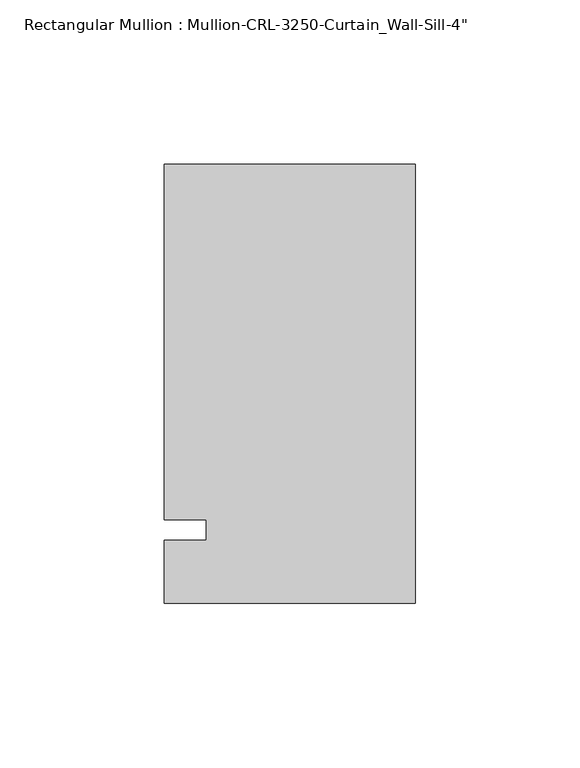
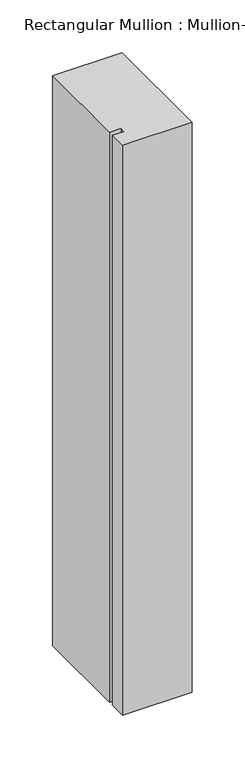
"""IFC4 building model written with IfcOpenShell, lengths in millimetres: member geometry."""

from ifc_helpers import new_model, si_unit, frame, origin, place, context, project, spatial, polyline, outline, extrude, source, transform, mapped, element, save


def member_1c18a55b(model_context):
    return source(origin(), model_context, "Body", "SweptSolid", [
        extrude(outline(polyline([(-76.199997, -3.175), (-63.499997, -3.175), (-63.499997, 3.175), (-76.199997, 3.175), (-76.199997, 111.1245832), (0.0, 111.1245832), (0.0, -22.2254168), (-76.199997, -22.2254168), (-76.199997, -3.175)])), frame((0.0, 0.0, -660.5746383), z_axis=(0.0, 0.0, 1.0), x_axis=(1.0, 0.0, 0.0)), (0.0, 0.0, 1.0), 660.5746383),
    ])


if __name__ == "__main__":
    model = new_model("IFC4")
    model_context = context("Model", 3, world=origin())
    ifc_project = project(units=[si_unit("LENGTHUNIT", "METRE", prefix="MILLI")], contexts=[model_context])
    site = spatial("IfcSite", under=ifc_project)
    building = spatial("IfcBuilding", under=site)
    placement = place(None, origin())
    member_shape = member_1c18a55b(model_context)
    element("IfcMember", 1, ObjectType="Rectangular Mullion : Mullion-CRL-3250-Curtain_Wall-Sill-4\"", at=placement, inside=building, context=model_context, shape_type="MappedRepresentation", body=[
        mapped(member_shape, transform((0.0, 0.0, 0.0), x_axis=(1.0, 0.0, 0.0), y_axis=(0.0, 1.0, 0.0), z_axis=(0.0, 0.0, 1.0))),
    ])
    save(model, "model.ifc")
